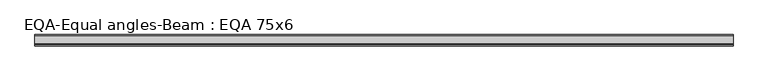
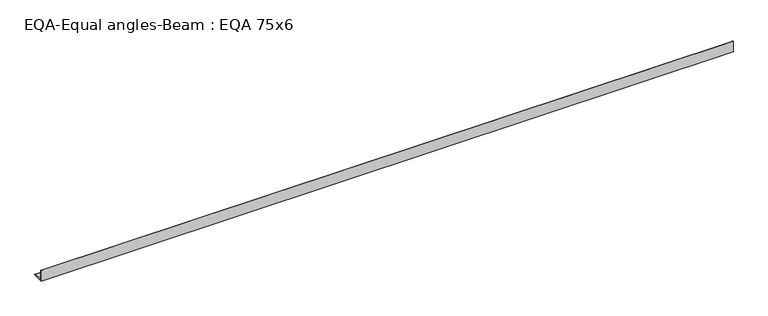
"""IFC4 building model written with IfcOpenShell, lengths in millimetres: beam geometry, EQA-Equal angles-Beam : EQA 75x6."""

from ifc_helpers import new_model, si_unit, point, frame, frame_2d, origin, place, context, project, spatial, polyline, circle_curve, trimmed, segment, composite_curve, outline, extrude, source, transform, mapped, element, save


def eqa_equal_angles_beam_eqa_75x6_08ce49a8(model_context):
    return source(origin(), model_context, "Body", "SweptSolid", [
        extrude(outline(composite_curve([segment(polyline([(-20.5, -20.5), (-20.5, 54.5), (-19.0, 54.5)]), True, "CONTINUOUS"), segment(trimmed(circle_curve(frame_2d((-19.0, 50.0)), 4.5), [point((-19.0, 54.5))], [point((-14.5, 50.0))], False, "CARTESIAN"), True, "CONTINUOUS"), segment(polyline([(-14.5, 50.0), (-14.5, -5.5)]), True, "CONTINUOUS"), segment(trimmed(circle_curve(frame_2d((-5.5, -5.5)), 9.0), [point((-14.5, -5.5))], [point((-5.5, -14.5))], True, "CARTESIAN"), True, "CONTINUOUS"), segment(polyline([(-5.5, -14.5), (50.0, -14.5)]), True, "CONTINUOUS"), segment(trimmed(circle_curve(frame_2d((50.0, -19.0)), 4.5), [point((50.0, -14.5))], [point((54.5, -19.0))], False, "CARTESIAN"), True, "CONTINUOUS"), segment(polyline([(54.5, -19.0), (54.5, -20.5), (-20.5, -20.5)]), True, "CONTINUOUS")], self_intersect=False)), frame((-2306.6629078, 0.0, 0.0), z_axis=(1.0, 0.0, 0.0), x_axis=(0.0, 1.0, 0.0)), (0.0, 0.0, 1.0), 4613.3258156),
    ])


if __name__ == "__main__":
    model = new_model("IFC4")
    model_context = context("Model", 3, world=origin())
    ifc_project = project(units=[si_unit("LENGTHUNIT", "METRE", prefix="MILLI")], contexts=[model_context])
    site = spatial("IfcSite", under=ifc_project)
    building = spatial("IfcBuilding", under=site)
    placement = place(None, origin())
    eqa_equal_angles_beam_eqa_75x6_shape = eqa_equal_angles_beam_eqa_75x6_08ce49a8(model_context)
    element("IfcBeam", 1, ObjectType="EQA-Equal angles-Beam : EQA 75x6", at=placement, inside=building, context=model_context, shape_type="MappedRepresentation", body=[
        mapped(eqa_equal_angles_beam_eqa_75x6_shape, transform((0.0, 0.0, 0.0), x_axis=(1.0, 0.0, 0.0), y_axis=(0.0, 1.0, 0.0), z_axis=(0.0, 0.0, 1.0))),
    ])
    save(model, "model.ifc")
